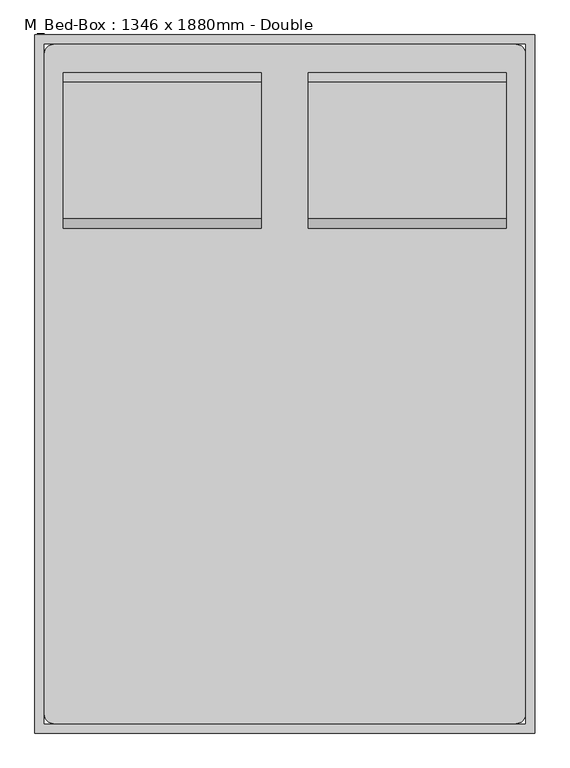
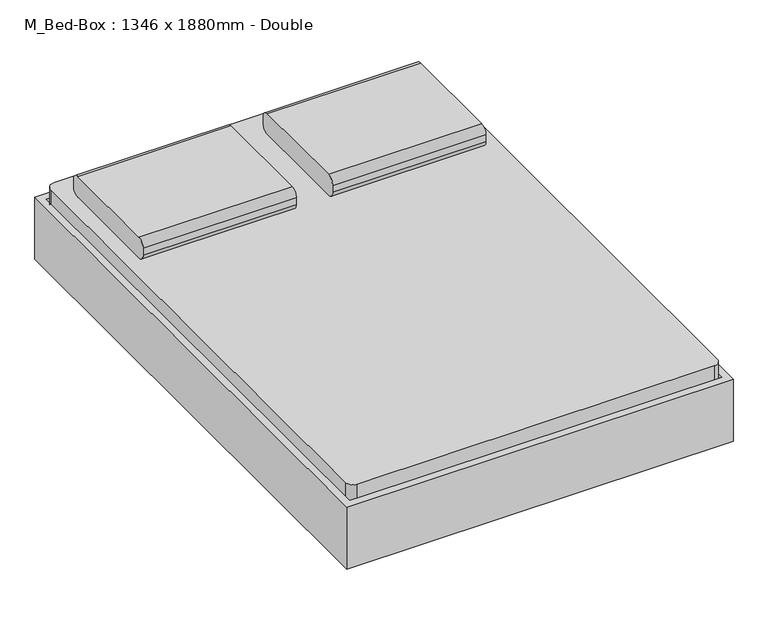
"""IFC4 building model written with IfcOpenShell, lengths in millimetres: furniture geometry, M_Bed-Box : 1346 x 1880mm - Double."""

from ifc_helpers import new_model, si_unit, point, frame, frame_2d, origin, place, context, project, spatial, polyline, circle_curve, trimmed, segment, composite_curve, outline, extrude, source, transform, mapped, element, save
from ifc_brep_helpers import plane_surface, cylinder_surface, revolved_surface, advanced_brep


def m_bed_box_1346_x_1880mm_double_9a731973(model_context):
    return source(origin(), model_context, "Body", "SolidModel", [
        extrude(outline(composite_curve([segment(polyline([(578.5704918, 406.4), (210.2704918, 406.4)]), True, "CONTINUOUS"), segment(trimmed(circle_curve(frame_2d((210.2704918, 431.8)), 25.4), [point((210.2704918, 406.4))], [point((184.8704918, 431.8))], False, "CARTESIAN"), True, "CONTINUOUS"), segment(polyline([(184.8704918, 431.8), (184.8704918, 457.2)]), True, "CONTINUOUS"), segment(trimmed(circle_curve(frame_2d((210.2704918, 457.2)), 25.4), [point((184.8704918, 457.2))], [point((210.2704918, 482.6))], False, "CARTESIAN"), True, "CONTINUOUS"), segment(polyline([(210.2704918, 482.6), (578.5704918, 482.6)]), True, "CONTINUOUS"), segment(trimmed(circle_curve(frame_2d((578.5704918, 457.2)), 25.4), [point((578.5704918, 482.6))], [point((603.9704918, 457.2))], False, "CARTESIAN"), True, "CONTINUOUS"), segment(polyline([(603.9704918, 457.2), (603.9704918, 431.8)]), True, "CONTINUOUS"), segment(trimmed(circle_curve(frame_2d((578.5704918, 431.8)), 25.4), [point((603.9704918, 431.8))], [point((578.5704918, 406.4))], False, "CARTESIAN"), True, "CONTINUOUS")], self_intersect=False)), frame((402.652459, 0.0, 0.0), z_axis=(1.0, 0.0, 0.0), x_axis=(0.0, 1.0, 0.0)), (0.0, 0.0, 1.0), 533.3),
        extrude(outline(composite_curve([segment(polyline([(578.5704918, 406.4), (210.2704918, 406.4)]), True, "CONTINUOUS"), segment(trimmed(circle_curve(frame_2d((210.2704918, 431.8)), 25.4), [point((210.2704918, 406.4))], [point((184.8704918, 431.8))], False, "CARTESIAN"), True, "CONTINUOUS"), segment(polyline([(184.8704918, 431.8), (184.8704918, 457.2)]), True, "CONTINUOUS"), segment(trimmed(circle_curve(frame_2d((210.2704918, 457.2)), 25.4), [point((184.8704918, 457.2))], [point((210.2704918, 482.6))], False, "CARTESIAN"), True, "CONTINUOUS"), segment(polyline([(210.2704918, 482.6), (578.5704918, 482.6)]), True, "CONTINUOUS"), segment(trimmed(circle_curve(frame_2d((578.5704918, 457.2)), 25.4), [point((578.5704918, 482.6))], [point((603.9704918, 457.2))], False, "CARTESIAN"), True, "CONTINUOUS"), segment(polyline([(603.9704918, 457.2), (603.9704918, 431.8)]), True, "CONTINUOUS"), segment(trimmed(circle_curve(frame_2d((578.5704918, 431.8)), 25.4), [point((603.9704918, 431.8))], [point((578.5704918, 406.4))], False, "CARTESIAN"), True, "CONTINUOUS")], self_intersect=False)), frame((-257.647541, 0.0, 0.0), z_axis=(1.0, 0.0, 0.0), x_axis=(0.0, 1.0, 0.0)), (0.0, 0.0, 1.0), 533.3),
        advanced_brep(
        [(-308.1231784, 451.5704918, 177.8), (-308.1231784, 375.3704918, 177.8), (-308.1231784, 375.3704918, 196.85), (-308.1231784, 451.5704918, 196.85), (-257.3231784, 451.5704918, 177.8), (-257.3231784, 375.3704918, 177.8), (-245.1869899, 375.3704918, 196.85), (-245.1869899, 451.5704918, 196.85), (-181.2523099, 451.5704918, 14.6654962), (-181.2523099, 375.3704918, 14.6654962), (-163.9871466, 375.3704918, 22.716374), (-163.9871466, 451.5704918, 22.716374), (-158.2320921, 375.3704918, 0.0), (-158.2320921, 451.5704918, 0.0), (-158.2320921, 375.3704918, 19.05), (-158.2320921, 451.5704918, 19.05), (-79.6195862, 451.5704918, 0.0), (-79.6195862, 375.3704918, 0.0), (-79.6195862, 375.3704918, 19.05), (-79.6195862, 451.5704918, 19.05), (-66.9195862, 375.3704918, 3.4029547), (-66.9195862, 451.5704918, 3.4029547), (-76.4445862, 375.3704918, 19.9007387), (-76.4445862, 451.5704918, 19.9007387), (-6.822541, 451.5704918, 38.1), (-6.822541, 375.3704918, 38.1), (-11.9269731, 375.3704918, 57.15), (-11.9269731, 451.5704918, 57.15), (685.4518216, 451.5704918, 38.1), (685.4518216, 375.3704918, 38.1), (690.5562537, 375.3704918, 57.15), (690.5562537, 451.5704918, 57.15), (745.5488669, 451.5704918, 3.4029547), (745.5488669, 375.3704918, 3.4029547), (755.0738669, 375.3704918, 19.9007387), (755.0738669, 451.5704918, 19.9007387), (758.2488669, 375.3704918, 0.0), (758.2488669, 451.5704918, 0.0), (758.2488669, 375.3704918, 19.05), (758.2488669, 451.5704918, 19.05), (836.8613728, 451.5704918, 0.0), (836.8613728, 375.3704918, 0.0), (836.8613728, 375.3704918, 19.05), (836.8613728, 451.5704918, 19.05), (859.8815906, 375.3704918, 14.6654962), (859.8815906, 451.5704918, 14.6654962), (842.6164272, 375.3704918, 22.716374), (842.6164272, 451.5704918, 22.716374), (935.952459, 451.5704918, 177.8), (935.952459, 375.3704918, 177.8), (923.8162705, 375.3704918, 196.85), (923.8162705, 451.5704918, 196.85), (986.752459, 451.5704918, 177.8), (986.752459, 451.5704918, 196.85), (986.752459, 375.3704918, 196.85), (986.752459, 375.3704918, 177.8)],
        [
            (0, 1),
            (1, 2),
            (2, 3),
            (3, 0),
            (0, 4),
            (4, 5),
            (5, 1),
            (5, 6),
            (6, 2),
            (6, 7),
            (7, 3),
            (7, 4),
            (4, 8),
            (8, 9),
            (9, 5),
            (9, 10),
            (10, 6),
            (10, 11),
            (11, 7),
            (11, 8),
            (12, 9, circle_curve(frame((-158.2320921, 375.3704918, 25.4), z_axis=(0.0, 1.0, 0.0), x_axis=(-0.9063077870366488, 0.0, -0.4226182617407019)), 25.4)),
            (8, 13, circle_curve(frame((-158.2320921, 451.5704918, 25.4), z_axis=(0.0, -1.0, 0.0), x_axis=(-0.9063077870366488, 0.0, -0.4226182617407019)), 25.4)),
            (13, 12),
            (14, 10, circle_curve(frame((-158.2320921, 375.3704918, 25.4), z_axis=(0.0, 1.0, 0.0), x_axis=(-0.9063077870366488, 0.0, -0.4226182617407019)), 6.35)),
            (12, 14),
            (15, 11, circle_curve(frame((-158.2320921, 451.5704918, 25.4), z_axis=(0.0, 1.0, 0.0), x_axis=(-0.9063077870366488, 0.0, -0.4226182617407019)), 6.35)),
            (14, 15),
            (15, 13),
            (13, 16),
            (16, 17),
            (17, 12),
            (17, 18),
            (18, 14),
            (18, 19),
            (19, 15),
            (19, 16),
            (20, 17, circle_curve(frame((-79.6195862, 375.3704918, 25.4), z_axis=(0.0, 1.0, 0.0), x_axis=(0.0, 0.0, -1.0)), 25.4)),
            (16, 21, circle_curve(frame((-79.6195862, 451.5704918, 25.4), z_axis=(0.0, -1.0, 0.0), x_axis=(0.0, 0.0, -1.0)), 25.4)),
            (21, 20),
            (22, 18, circle_curve(frame((-79.6195862, 375.3704918, 25.4), z_axis=(0.0, 1.0, 0.0), x_axis=(0.0, 0.0, -1.0)), 6.35)),
            (20, 22),
            (23, 19, circle_curve(frame((-79.6195862, 451.5704918, 25.4), z_axis=(0.0, 1.0, 0.0), x_axis=(0.0, 0.0, -1.0)), 6.35)),
            (22, 23),
            (23, 21),
            (21, 24),
            (24, 25),
            (25, 20),
            (25, 26),
            (26, 22),
            (26, 27),
            (27, 23),
            (27, 24),
            (24, 28),
            (28, 29),
            (29, 25),
            (29, 30),
            (30, 26),
            (30, 31),
            (31, 27),
            (31, 28),
            (28, 32),
            (32, 33),
            (33, 29),
            (33, 34),
            (34, 30),
            (34, 35),
            (35, 31),
            (35, 32),
            (36, 33, circle_curve(frame((758.2488669, 375.3704918, 25.4), z_axis=(0.0, 1.0, 0.0), x_axis=(-0.5000000000000463, 0.0, -0.8660254037844118)), 25.4)),
            (32, 37, circle_curve(frame((758.2488669, 451.5704918, 25.4), z_axis=(0.0, -1.0, 0.0), x_axis=(-0.5000000000000463, 0.0, -0.8660254037844118)), 25.4)),
            (37, 36),
            (38, 34, circle_curve(frame((758.2488669, 375.3704918, 25.4), z_axis=(0.0, 1.0, 0.0), x_axis=(-0.5000000000000463, 0.0, -0.8660254037844118)), 6.35)),
            (36, 38),
            (39, 35, circle_curve(frame((758.2488669, 451.5704918, 25.4), z_axis=(0.0, 1.0, 0.0), x_axis=(-0.5000000000000463, 0.0, -0.8660254037844118)), 6.35)),
            (38, 39),
            (39, 37),
            (37, 40),
            (40, 41),
            (41, 36),
            (41, 42),
            (42, 38),
            (42, 43),
            (43, 39),
            (43, 40),
            (44, 41, circle_curve(frame((836.8613728, 375.3704918, 25.4), z_axis=(0.0, 1.0, 0.0), x_axis=(0.0, 0.0, -1.0)), 25.4)),
            (40, 45, circle_curve(frame((836.8613728, 451.5704918, 25.4), z_axis=(0.0, -1.0, 0.0), x_axis=(0.0, 0.0, -1.0)), 25.4)),
            (45, 44),
            (46, 42, circle_curve(frame((836.8613728, 375.3704918, 25.4), z_axis=(0.0, 1.0, 0.0), x_axis=(0.0, 0.0, -1.0)), 6.35)),
            (44, 46),
            (47, 43, circle_curve(frame((836.8613728, 451.5704918, 25.4), z_axis=(0.0, 1.0, 0.0), x_axis=(0.0, 0.0, -1.0)), 6.35)),
            (46, 47),
            (47, 45),
            (45, 48),
            (48, 49),
            (49, 44),
            (49, 50),
            (50, 46),
            (50, 51),
            (51, 47),
            (51, 48),
            (52, 53),
            (53, 54),
            (54, 55),
            (55, 52),
            (48, 52),
            (55, 49),
            (54, 50),
            (53, 51),
        ],
        [
            plane_surface(frame((-308.1231784, 705.5704918, -152.9490627), z_axis=(-1.0, 0.0, 0.0), x_axis=(0.0, 1.0, 0.0))),
            plane_surface(frame((-308.1231784, 451.5704918, 177.8), z_axis=(0.0, 0.0, -1.0), x_axis=(1.0, 0.0, 0.0))),
            plane_surface(frame((-308.1231784, 375.3704918, 177.8), z_axis=(0.0, -1.0, 0.0), x_axis=(1.0, 0.0, 0.0))),
            plane_surface(frame((-308.1231784, 375.3704918, 196.85), z_axis=(0.0, 0.0, 1.0), x_axis=(1.0, 0.0, 0.0))),
            plane_surface(frame((-308.1231784, 451.5704918, 196.85), z_axis=(0.0, 1.0, 0.0), x_axis=(1.0, 0.0, 0.0))),
            plane_surface(frame((-257.3231784, 451.5704918, 177.8), z_axis=(-0.9063077870366486, 0.0, -0.4226182617407026), x_axis=(0.4226182617407026, 0.0, -0.9063077870366486))),
            plane_surface(frame((-257.3231784, 375.3704918, 177.8), z_axis=(0.0, -1.0000000000000002, 0.0), x_axis=(0.4226182617407026, 0.0, -0.9063077870366486))),
            plane_surface(frame((-245.1869899, 375.3704918, 196.85), z_axis=(0.9063077870366487, 0.0, 0.4226182617407023), x_axis=(0.4226182617407023, 0.0, -0.9063077870366487))),
            plane_surface(frame((-245.1869899, 451.5704918, 196.85), z_axis=(0.0, 1.0, 0.0), x_axis=(0.4226182617407027, 0.0, -0.9063077870366485))),
            cylinder_surface(frame((-158.2320921, 705.5704918, 25.4), z_axis=(0.0, -1.0, 0.0), x_axis=(-0.9063077870366488, 0.0, -0.4226182617407019)), 25.4),
            plane_surface(frame((-158.2320921, 375.3704918, 25.4), z_axis=(0.0, -1.0, 0.0), x_axis=(-0.9063077870366488, 0.0, -0.4226182617407019))),
            revolved_surface(polyline([(-163.9871465476827, 375.3704918, 22.716374037946544), (-163.9871465476827, 451.5704918, 22.716374037946544)]), (-158.2320921, 705.5704918, 25.4), (0.0, -1.0, 0.0)),
            plane_surface(frame((-158.2320921, 451.5704918, 25.4), z_axis=(0.0, 1.0, 0.0), x_axis=(-0.9063077870366488, 0.0, -0.4226182617407019))),
            plane_surface(frame((-158.2320921, 451.5704918, 0.0), z_axis=(0.0, 0.0, -1.0), x_axis=(1.0, 0.0, 0.0))),
            plane_surface(frame((-158.2320921, 375.3704918, 0.0), z_axis=(0.0, -1.0, 0.0), x_axis=(1.0, 0.0, 0.0))),
            plane_surface(frame((-158.2320921, 375.3704918, 19.05), z_axis=(0.0, 0.0, 1.0), x_axis=(1.0, 0.0, 0.0))),
            plane_surface(frame((-158.2320921, 451.5704918, 19.05), z_axis=(0.0, 1.0, 0.0), x_axis=(1.0, 0.0, 0.0))),
            cylinder_surface(frame((-79.6195862, 705.5704918, 25.4), z_axis=(0.0, -1.0, 0.0), x_axis=(0.0, 0.0, -1.0)), 25.4),
            plane_surface(frame((-79.6195862, 375.3704918, 25.4), z_axis=(0.0, -1.0, 0.0), x_axis=(0.0, 0.0, -1.0))),
            revolved_surface(polyline([(-79.6195862, 375.3704918, 19.049999999999997), (-79.6195862, 451.5704918, 19.049999999999997)]), (-79.6195862, 705.5704918, 25.4), (0.0, -1.0, 0.0)),
            plane_surface(frame((-79.6195862, 451.5704918, 25.4), z_axis=(0.0, 1.0, 0.0), x_axis=(0.0, 0.0, -1.0))),
            plane_surface(frame((-66.9195862, 451.5704918, 3.4029547), z_axis=(0.4999999999998739, 0.0, -0.8660254037845115), x_axis=(0.8660254037845115, 0.0, 0.4999999999998739))),
            plane_surface(frame((-66.9195862, 375.3704918, 3.4029547), z_axis=(0.0, -1.0, 0.0), x_axis=(0.8660254037845114, 0.0, 0.49999999999987393))),
            plane_surface(frame((-76.4445862, 375.3704918, 19.9007387), z_axis=(-0.4999999999998739, 0.0, 0.8660254037845115), x_axis=(0.8660254037845115, 0.0, 0.4999999999998739))),
            plane_surface(frame((-76.4445862, 451.5704918, 19.9007387), z_axis=(0.0, 1.0, 0.0), x_axis=(0.8660254037845112, 0.0, 0.4999999999998744))),
            plane_surface(frame((-6.822541, 451.5704918, 38.1), z_axis=(0.0, 0.0, -1.0), x_axis=(1.0, 0.0, 0.0))),
            plane_surface(frame((-6.822541, 375.3704918, 38.1), z_axis=(0.0, -1.0, 0.0), x_axis=(1.0, 0.0, 0.0))),
            plane_surface(frame((-11.9269731, 375.3704918, 57.15), z_axis=(0.0, 0.0, 1.0), x_axis=(1.0, 0.0, 0.0))),
            plane_surface(frame((-11.9269731, 451.5704918, 57.15), z_axis=(0.0, 1.0, 0.0), x_axis=(1.0, 0.0, 0.0))),
            plane_surface(frame((685.4518216, 451.5704918, 38.1), z_axis=(-0.5000000000000495, 0.0, -0.8660254037844101), x_axis=(0.8660254037844101, 0.0, -0.5000000000000495))),
            plane_surface(frame((685.4518216, 375.3704918, 38.1), z_axis=(0.0, -1.0000000000000002, 0.0), x_axis=(0.8660254037844111, 0.0, -0.500000000000048))),
            plane_surface(frame((690.5562537, 375.3704918, 57.15), z_axis=(0.5000000000000485, 0.0, 0.8660254037844106), x_axis=(0.8660254037844106, 0.0, -0.5000000000000485))),
            plane_surface(frame((690.5562537, 451.5704918, 57.15), z_axis=(0.0, 1.0, 0.0), x_axis=(0.8660254037844105, 0.0, -0.5000000000000487))),
            cylinder_surface(frame((758.2488669, 705.5704918, 25.4), z_axis=(0.0, -1.0, 0.0), x_axis=(-0.5000000000000463, 0.0, -0.8660254037844118)), 25.4),
            plane_surface(frame((758.2488669, 375.3704918, 25.4), z_axis=(0.0, -1.0000000000000002, 0.0), x_axis=(-0.5000000000000464, 0.0, -0.866025403784412))),
            revolved_surface(polyline([(755.0738668999998, 375.3704918, 19.90073868596898), (755.0738668999998, 451.5704918, 19.90073868596898)]), (758.2488669, 705.5704918, 25.4), (0.0, -1.0, 0.0)),
            plane_surface(frame((758.2488669, 451.5704918, 25.4), z_axis=(0.0, 1.0000000000000002, 0.0), x_axis=(-0.5000000000000464, 0.0, -0.866025403784412))),
            plane_surface(frame((758.2488669, 451.5704918, 0.0), z_axis=(0.0, 0.0, -1.0), x_axis=(1.0, 0.0, 0.0))),
            plane_surface(frame((758.2488669, 375.3704918, 0.0), z_axis=(0.0, -1.0, 0.0), x_axis=(1.0, 0.0, 0.0))),
            plane_surface(frame((758.2488669, 375.3704918, 19.05), z_axis=(0.0, 0.0, 1.0), x_axis=(1.0, 0.0, 0.0))),
            plane_surface(frame((758.2488669, 451.5704918, 19.05), z_axis=(0.0, 1.0, 0.0), x_axis=(1.0, 0.0, 0.0))),
            cylinder_surface(frame((836.8613728, 705.5704918, 25.4), z_axis=(0.0, -1.0, 0.0), x_axis=(0.0, 0.0, -1.0)), 25.4),
            plane_surface(frame((836.8613728, 375.3704918, 25.4), z_axis=(0.0, -1.0, 0.0), x_axis=(0.0, 0.0, -1.0))),
            revolved_surface(polyline([(836.8613728, 375.3704918, 19.049999999999997), (836.8613728, 451.5704918, 19.049999999999997)]), (836.8613728, 705.5704918, 25.4), (0.0, -1.0, 0.0)),
            plane_surface(frame((836.8613728, 451.5704918, 25.4), z_axis=(0.0, 1.0, 0.0), x_axis=(0.0, 0.0, -1.0))),
            plane_surface(frame((859.8815906, 451.5704918, 14.6654962), z_axis=(0.9063077870366804, 0.0, -0.4226182617406344), x_axis=(0.4226182617406344, 0.0, 0.9063077870366804))),
            plane_surface(frame((859.8815906, 375.3704918, 14.6654962), z_axis=(0.0, -1.0, 0.0), x_axis=(0.422618261740635, 0.0, 0.90630778703668))),
            plane_surface(frame((842.6164272, 375.3704918, 22.716374), z_axis=(-0.9063077870366805, 0.0, 0.4226182617406341), x_axis=(0.4226182617406341, 0.0, 0.9063077870366805))),
            plane_surface(frame((842.6164272, 451.5704918, 22.716374), z_axis=(0.0, 1.0, 0.0), x_axis=(0.4226182617406351, 0.0, 0.90630778703668))),
            plane_surface(frame((986.752459, 705.5704918, -152.9490627), z_axis=(1.0, 0.0, 0.0), x_axis=(0.0, 1.0, 0.0))),
            plane_surface(frame((935.952459, 451.5704918, 177.8), z_axis=(0.0, 0.0, -1.0), x_axis=(1.0, 0.0, 0.0))),
            plane_surface(frame((935.952459, 375.3704918, 177.8), z_axis=(0.0, -1.0, 0.0), x_axis=(1.0, 0.0, 0.0))),
            plane_surface(frame((923.8162705, 375.3704918, 196.85), z_axis=(0.0, 0.0, 1.0), x_axis=(1.0, 0.0, 0.0))),
            plane_surface(frame((923.8162705, 451.5704918, 196.85), z_axis=(0.0, 1.0, 0.0), x_axis=(1.0, 0.0, 0.0))),
        ],
        [
            (0, [[1, 2, 3, 4]]),
            (1, [[-1, 5, 6, 7]]),
            (2, [[-2, -7, 8, 9]]),
            (3, [[-3, -9, 10, 11]]),
            (4, [[-4, -11, 12, -5]]),
            (5, [[-6, 13, 14, 15]]),
            (6, [[-8, -15, 16, 17]]),
            (7, [[-10, -17, 18, 19]]),
            (8, [[-12, -19, 20, -13]]),
            (9, [[21, -14, 22, 23]]),
            (10, [[24, -16, -21, 25]]),
            (11, [[26, -18, -24, 27]]),
            (12, [[-22, -20, -26, 28]]),
            (13, [[-23, 29, 30, 31]]),
            (14, [[-25, -31, 32, 33]]),
            (15, [[-27, -33, 34, 35]]),
            (16, [[-28, -35, 36, -29]]),
            (17, [[37, -30, 38, 39]]),
            (18, [[40, -32, -37, 41]]),
            (19, [[42, -34, -40, 43]]),
            (20, [[-38, -36, -42, 44]]),
            (21, [[-39, 45, 46, 47]]),
            (22, [[-41, -47, 48, 49]]),
            (23, [[-43, -49, 50, 51]]),
            (24, [[-44, -51, 52, -45]]),
            (25, [[-46, 53, 54, 55]]),
            (26, [[-48, -55, 56, 57]]),
            (27, [[-50, -57, 58, 59]]),
            (28, [[-52, -59, 60, -53]]),
            (29, [[-54, 61, 62, 63]]),
            (30, [[-56, -63, 64, 65]]),
            (31, [[-58, -65, 66, 67]]),
            (32, [[-60, -67, 68, -61]]),
            (33, [[69, -62, 70, 71]]),
            (34, [[72, -64, -69, 73]]),
            (35, [[74, -66, -72, 75]]),
            (36, [[-70, -68, -74, 76]]),
            (37, [[-71, 77, 78, 79]]),
            (38, [[-73, -79, 80, 81]]),
            (39, [[-75, -81, 82, 83]]),
            (40, [[-76, -83, 84, -77]]),
            (41, [[85, -78, 86, 87]]),
            (42, [[88, -80, -85, 89]]),
            (43, [[90, -82, -88, 91]]),
            (44, [[-86, -84, -90, 92]]),
            (45, [[-87, 93, 94, 95]]),
            (46, [[-89, -95, 96, 97]]),
            (47, [[-91, -97, 98, 99]]),
            (48, [[-92, -99, 100, -93]]),
            (49, [[101, 102, 103, 104]]),
            (50, [[-94, 105, -104, 106]]),
            (51, [[-96, -106, -103, 107]]),
            (52, [[-98, -107, -102, 108]]),
            (53, [[-100, -108, -101, -105]]),
        ],
    ),
        extrude(outline(composite_curve([segment(polyline([(-283.047541, 680.1704918), (961.352459, 680.1704918)]), True, "CONTINUOUS"), segment(trimmed(circle_curve(frame_2d((961.352459, 654.7704918)), 25.4), [point((961.352459, 680.1704918))], [point((986.752459, 654.7704918))], False, "CARTESIAN"), True, "CONTINUOUS"), segment(polyline([(986.752459, 654.7704918), (986.752459, -1123.6295082)]), True, "CONTINUOUS"), segment(trimmed(circle_curve(frame_2d((961.352459, -1123.6295082)), 25.4), [point((986.752459, -1123.6295082))], [point((961.352459, -1149.0295082))], False, "CARTESIAN"), True, "CONTINUOUS"), segment(polyline([(961.352459, -1149.0295082), (-283.047541, -1149.0295082)]), True, "CONTINUOUS"), segment(trimmed(circle_curve(frame_2d((-283.047541, -1123.6295082)), 25.4), [point((-283.047541, -1149.0295082))], [point((-308.447541, -1123.6295082))], False, "CARTESIAN"), True, "CONTINUOUS"), segment(polyline([(-308.447541, -1123.6295082), (-308.447541, 654.7704918)]), True, "CONTINUOUS"), segment(trimmed(circle_curve(frame_2d((-283.047541, 654.7704918)), 25.4), [point((-308.447541, 654.7704918))], [point((-283.047541, 680.1704918))], False, "CARTESIAN"), True, "CONTINUOUS")], self_intersect=False)), frame((0.0, 0.0, 203.2), z_axis=(0.0, 0.0, 1.0), x_axis=(1.0, 0.0, 0.0)), (0.0, 0.0, 1.0), 203.2),
        advanced_brep(
        [(-308.447541, -869.6295082, 196.85), (-308.447541, -869.6295082, 177.8), (-308.447541, -945.8295082, 177.8), (-308.447541, -945.8295082, 196.85), (-245.5113525, -869.6295082, 196.85), (-257.647541, -869.6295082, 177.8), (-257.647541, -945.8295082, 177.8), (-245.5113525, -945.8295082, 196.85), (-164.3115092, -869.6295082, 22.716374), (-181.5766725, -869.6295082, 14.6654962), (-181.5766725, -945.8295082, 14.6654962), (-164.3115092, -945.8295082, 22.716374), (-158.5564547, -869.6295082, 0.0), (-158.5564547, -869.6295082, 19.05), (-158.5564547, -945.8295082, 0.0), (-158.5564547, -945.8295082, 19.05), (-79.9439489, -869.6295082, 19.05), (-79.9439489, -869.6295082, 0.0), (-79.9439489, -945.8295082, 0.0), (-79.9439489, -945.8295082, 19.05), (-67.2439489, -869.6295082, 3.4029547), (-76.7689489, -869.6295082, 19.9007387), (-67.2439489, -945.8295082, 3.4029547), (-76.7689489, -945.8295082, 19.9007387), (-12.2513357, -869.6295082, 57.15), (-7.1469036, -869.6295082, 38.1), (-7.1469036, -945.8295082, 38.1), (-12.2513357, -945.8295082, 57.15), (690.5562537, -869.6295082, 57.15), (685.4518216, -869.6295082, 38.1), (685.4518216, -945.8295082, 38.1), (690.5562537, -945.8295082, 57.15), (755.0738669, -869.6295082, 19.9007387), (745.5488669, -869.6295082, 3.4029547), (745.5488669, -945.8295082, 3.4029547), (755.0738669, -945.8295082, 19.9007387), (758.2488669, -869.6295082, 0.0), (758.2488669, -869.6295082, 19.05), (758.2488669, -945.8295082, 0.0), (758.2488669, -945.8295082, 19.05), (836.8613728, -869.6295082, 19.05), (836.8613728, -869.6295082, 0.0), (836.8613728, -945.8295082, 0.0), (836.8613728, -945.8295082, 19.05), (859.8815906, -869.6295082, 14.6654962), (842.6164272, -869.6295082, 22.716374), (859.8815906, -945.8295082, 14.6654962), (842.6164272, -945.8295082, 22.716374), (923.8162705, -869.6295082, 196.85), (935.952459, -869.6295082, 177.8), (935.952459, -945.8295082, 177.8), (923.8162705, -945.8295082, 196.85), (986.752459, -869.6295082, 196.85), (986.752459, -945.8295082, 196.85), (986.752459, -945.8295082, 177.8), (986.752459, -869.6295082, 177.8)],
        [
            (0, 1),
            (1, 2),
            (2, 3),
            (3, 0),
            (0, 4),
            (4, 5),
            (5, 1),
            (5, 6),
            (6, 2),
            (6, 7),
            (7, 3),
            (7, 4),
            (4, 8),
            (8, 9),
            (9, 5),
            (9, 10),
            (10, 6),
            (10, 11),
            (11, 7),
            (11, 8),
            (12, 9, circle_curve(frame((-158.5564547, -869.6295082, 25.4), z_axis=(0.0, 1.0, 0.0), x_axis=(-0.906307787036664, 0.0, -0.4226182617406693)), 25.4)),
            (8, 13, circle_curve(frame((-158.5564547, -869.6295082, 25.4), z_axis=(0.0, -1.0, 0.0), x_axis=(-0.906307787036664, 0.0, -0.4226182617406693)), 6.35)),
            (13, 12),
            (14, 10, circle_curve(frame((-158.5564547, -945.8295082, 25.4), z_axis=(0.0, 1.0, 0.0), x_axis=(-0.906307787036664, 0.0, -0.4226182617406693)), 25.4)),
            (12, 14),
            (15, 11, circle_curve(frame((-158.5564547, -945.8295082, 25.4), z_axis=(0.0, 1.0, 0.0), x_axis=(-0.906307787036664, 0.0, -0.4226182617406693)), 6.35)),
            (14, 15),
            (15, 13),
            (13, 16),
            (16, 17),
            (17, 12),
            (17, 18),
            (18, 14),
            (18, 19),
            (19, 15),
            (19, 16),
            (20, 17, circle_curve(frame((-79.9439489, -869.6295082, 25.4), z_axis=(0.0, 1.0, 0.0), x_axis=(0.0, 0.0, -1.0)), 25.4)),
            (16, 21, circle_curve(frame((-79.9439489, -869.6295082, 25.4), z_axis=(0.0, -1.0, 0.0), x_axis=(0.0, 0.0, -1.0)), 6.35)),
            (21, 20),
            (22, 18, circle_curve(frame((-79.9439489, -945.8295082, 25.4), z_axis=(0.0, 1.0, 0.0), x_axis=(0.0, 0.0, -1.0)), 25.4)),
            (20, 22),
            (23, 19, circle_curve(frame((-79.9439489, -945.8295082, 25.4), z_axis=(0.0, 1.0, 0.0), x_axis=(0.0, 0.0, -1.0)), 6.35)),
            (22, 23),
            (23, 21),
            (21, 24),
            (24, 25),
            (25, 20),
            (25, 26),
            (26, 22),
            (26, 27),
            (27, 23),
            (27, 24),
            (24, 28),
            (28, 29),
            (29, 25),
            (29, 30),
            (30, 26),
            (30, 31),
            (31, 27),
            (31, 28),
            (28, 32),
            (32, 33),
            (33, 29),
            (33, 34),
            (34, 30),
            (34, 35),
            (35, 31),
            (35, 32),
            (36, 33, circle_curve(frame((758.2488669, -869.6295082, 25.4), z_axis=(0.0, 1.0, 0.0), x_axis=(-0.5000000000000525, 0.0, -0.8660254037844083)), 25.4)),
            (32, 37, circle_curve(frame((758.2488669, -869.6295082, 25.4), z_axis=(0.0, -1.0, 0.0), x_axis=(-0.5000000000000525, 0.0, -0.8660254037844083)), 6.35)),
            (37, 36),
            (38, 34, circle_curve(frame((758.2488669, -945.8295082, 25.4), z_axis=(0.0, 1.0, 0.0), x_axis=(-0.5000000000000525, 0.0, -0.8660254037844083)), 25.4)),
            (36, 38),
            (39, 35, circle_curve(frame((758.2488669, -945.8295082, 25.4), z_axis=(0.0, 1.0, 0.0), x_axis=(-0.5000000000000525, 0.0, -0.8660254037844083)), 6.35)),
            (38, 39),
            (39, 37),
            (37, 40),
            (40, 41),
            (41, 36),
            (41, 42),
            (42, 38),
            (42, 43),
            (43, 39),
            (43, 40),
            (44, 41, circle_curve(frame((836.8613728, -869.6295082, 25.4), z_axis=(0.0, 1.0, 0.0), x_axis=(0.0, 0.0, -1.0)), 25.4)),
            (40, 45, circle_curve(frame((836.8613728, -869.6295082, 25.4), z_axis=(0.0, -1.0, 0.0), x_axis=(0.0, 0.0, -1.0)), 6.35)),
            (45, 44),
            (46, 42, circle_curve(frame((836.8613728, -945.8295082, 25.4), z_axis=(0.0, 1.0, 0.0), x_axis=(0.0, 0.0, -1.0)), 25.4)),
            (44, 46),
            (47, 43, circle_curve(frame((836.8613728, -945.8295082, 25.4), z_axis=(0.0, 1.0, 0.0), x_axis=(0.0, 0.0, -1.0)), 6.35)),
            (46, 47),
            (47, 45),
            (45, 48),
            (48, 49),
            (49, 44),
            (49, 50),
            (50, 46),
            (50, 51),
            (51, 47),
            (51, 48),
            (52, 53),
            (53, 54),
            (54, 55),
            (55, 52),
            (48, 52),
            (55, 49),
            (54, 50),
            (53, 51),
        ],
        [
            plane_surface(frame((-308.447541, -1174.4295082, -127.5947323), z_axis=(-1.0, 0.0, 0.0), x_axis=(0.0, 1.0, 0.0))),
            plane_surface(frame((-308.447541, -869.6295082, 196.85), z_axis=(0.0, 1.0, 0.0), x_axis=(1.0, 0.0, 0.0))),
            plane_surface(frame((-308.447541, -869.6295082, 177.8), z_axis=(0.0, 0.0, -1.0), x_axis=(1.0, 0.0, 0.0))),
            plane_surface(frame((-308.447541, -945.8295082, 177.8), z_axis=(0.0, -1.0, 0.0), x_axis=(1.0, 0.0, 0.0))),
            plane_surface(frame((-308.447541, -945.8295082, 196.85), z_axis=(0.0, 0.0, 1.0), x_axis=(1.0, 0.0, 0.0))),
            plane_surface(frame((-245.5113525, -869.6295082, 196.85), z_axis=(0.0, 1.0000000000000002, 0.0), x_axis=(0.42261826174067096, 0.0, -0.9063077870366634))),
            plane_surface(frame((-257.647541, -869.6295082, 177.8), z_axis=(-0.9063077870366634, 0.0, -0.42261826174067085), x_axis=(0.42261826174067085, 0.0, -0.9063077870366634))),
            plane_surface(frame((-257.647541, -945.8295082, 177.8), z_axis=(0.0, -1.0, 0.0), x_axis=(0.42261826174067096, 0.0, -0.9063077870366633))),
            plane_surface(frame((-245.5113525, -945.8295082, 196.85), z_axis=(0.9063077870366634, 0.0, 0.4226182617406709), x_axis=(0.4226182617406709, 0.0, -0.9063077870366634))),
            plane_surface(frame((-158.5564547, -869.6295082, 25.4), z_axis=(0.0, 1.0, 0.0), x_axis=(-0.906307787036664, 0.0, -0.4226182617406693))),
            cylinder_surface(frame((-158.5564547, -1174.4295082, 25.4), z_axis=(0.0, -1.0, 0.0), x_axis=(-0.906307787036664, 0.0, -0.4226182617406693)), 25.4),
            plane_surface(frame((-158.5564547, -945.8295082, 25.4), z_axis=(0.0, -1.0, 0.0), x_axis=(-0.906307787036664, 0.0, -0.4226182617406693))),
            revolved_surface(polyline([(-164.3115091476828, -945.8295082, 22.71637403794675), (-164.3115091476828, -869.6295082, 22.71637403794675)]), (-158.5564547, -1174.4295082, 25.4), (0.0, -1.0, 0.0)),
            plane_surface(frame((-158.5564547, -869.6295082, 19.05), z_axis=(0.0, 1.0, 0.0), x_axis=(1.0, 0.0, 0.0))),
            plane_surface(frame((-158.5564547, -869.6295082, 0.0), z_axis=(0.0, 0.0, -1.0), x_axis=(1.0, 0.0, 0.0))),
            plane_surface(frame((-158.5564547, -945.8295082, 0.0), z_axis=(0.0, -1.0, 0.0), x_axis=(1.0, 0.0, 0.0))),
            plane_surface(frame((-158.5564547, -945.8295082, 19.05), z_axis=(0.0, 0.0, 1.0), x_axis=(1.0, 0.0, 0.0))),
            plane_surface(frame((-79.9439489, -869.6295082, 25.4), z_axis=(0.0, 1.0, 0.0), x_axis=(0.0, 0.0, -1.0))),
            cylinder_surface(frame((-79.9439489, -1174.4295082, 25.4), z_axis=(0.0, -1.0, 0.0), x_axis=(0.0, 0.0, -1.0)), 25.4),
            plane_surface(frame((-79.9439489, -945.8295082, 25.4), z_axis=(0.0, -1.0, 0.0), x_axis=(0.0, 0.0, -1.0))),
            revolved_surface(polyline([(-79.9439489, -945.8295082, 19.049999999999997), (-79.9439489, -869.6295082, 19.049999999999997)]), (-79.9439489, -1174.4295082, 25.4), (0.0, -1.0, 0.0)),
            plane_surface(frame((-76.7689489, -869.6295082, 19.9007387), z_axis=(0.0, 1.0, 0.0), x_axis=(0.8660254037844783, 0.0, 0.4999999999999312))),
            plane_surface(frame((-67.2439489, -869.6295082, 3.4029547), z_axis=(0.49999999999993117, 0.0, -0.8660254037844785), x_axis=(0.8660254037844785, 0.0, 0.49999999999993117))),
            plane_surface(frame((-67.2439489, -945.8295082, 3.4029547), z_axis=(0.0, -1.0, 0.0), x_axis=(0.8660254037844786, 0.0, 0.4999999999999308))),
            plane_surface(frame((-76.7689489, -945.8295082, 19.9007387), z_axis=(-0.4999999999999302, 0.0, 0.8660254037844789), x_axis=(0.8660254037844789, 0.0, 0.4999999999999302))),
            plane_surface(frame((-12.2513357, -869.6295082, 57.15), z_axis=(0.0, 1.0, 0.0), x_axis=(1.0, 0.0, 0.0))),
            plane_surface(frame((-7.1469036, -869.6295082, 38.1), z_axis=(0.0, 0.0, -1.0), x_axis=(1.0, 0.0, 0.0))),
            plane_surface(frame((-7.1469036, -945.8295082, 38.1), z_axis=(0.0, -1.0, 0.0), x_axis=(1.0, 0.0, 0.0))),
            plane_surface(frame((-12.2513357, -945.8295082, 57.15), z_axis=(0.0, 0.0, 1.0), x_axis=(1.0, 0.0, 0.0))),
            plane_surface(frame((690.5562537, -869.6295082, 57.15), z_axis=(0.0, 1.0, 0.0), x_axis=(0.8660254037844088, 0.0, -0.5000000000000517))),
            plane_surface(frame((685.4518216, -869.6295082, 38.1), z_axis=(-0.5000000000000526, 0.0, -0.8660254037844083), x_axis=(0.8660254037844083, 0.0, -0.5000000000000526))),
            plane_surface(frame((685.4518216, -945.8295082, 38.1), z_axis=(0.0, -1.0, 0.0), x_axis=(0.8660254037844088, 0.0, -0.5000000000000517))),
            plane_surface(frame((690.5562537, -945.8295082, 57.15), z_axis=(0.5000000000000521, 0.0, 0.8660254037844086), x_axis=(0.8660254037844086, 0.0, -0.5000000000000521))),
            plane_surface(frame((758.2488669, -869.6295082, 25.4), z_axis=(0.0, 1.0000000000000002, 0.0), x_axis=(-0.5000000000000526, 0.0, -0.8660254037844084))),
            cylinder_surface(frame((758.2488669, -1174.4295082, 25.4), z_axis=(0.0, -1.0, 0.0), x_axis=(-0.5000000000000525, 0.0, -0.8660254037844083)), 25.4),
            plane_surface(frame((758.2488669, -945.8295082, 25.4), z_axis=(0.0, -1.0000000000000002, 0.0), x_axis=(-0.5000000000000526, 0.0, -0.8660254037844084))),
            revolved_surface(polyline([(755.0738668999998, -945.8295082, 19.900738685969007), (755.0738668999998, -869.6295082, 19.900738685969007)]), (758.2488669, -1174.4295082, 25.4), (0.0, -1.0, 0.0)),
            plane_surface(frame((758.2488669, -869.6295082, 19.05), z_axis=(0.0, 1.0, 0.0), x_axis=(1.0, 0.0, 0.0))),
            plane_surface(frame((758.2488669, -869.6295082, 0.0), z_axis=(0.0, 0.0, -1.0), x_axis=(1.0, 0.0, 0.0))),
            plane_surface(frame((758.2488669, -945.8295082, 0.0), z_axis=(0.0, -1.0, 0.0), x_axis=(1.0, 0.0, 0.0))),
            plane_surface(frame((758.2488669, -945.8295082, 19.05), z_axis=(0.0, 0.0, 1.0), x_axis=(1.0, 0.0, 0.0))),
            plane_surface(frame((836.8613728, -869.6295082, 25.4), z_axis=(0.0, 1.0, 0.0), x_axis=(0.0, 0.0, -1.0))),
            cylinder_surface(frame((836.8613728, -1174.4295082, 25.4), z_axis=(0.0, -1.0, 0.0), x_axis=(0.0, 0.0, -1.0)), 25.4),
            plane_surface(frame((836.8613728, -945.8295082, 25.4), z_axis=(0.0, -1.0, 0.0), x_axis=(0.0, 0.0, -1.0))),
            revolved_surface(polyline([(836.8613728, -945.8295082, 19.049999999999997), (836.8613728, -869.6295082, 19.049999999999997)]), (836.8613728, -1174.4295082, 25.4), (0.0, -1.0, 0.0)),
            plane_surface(frame((842.6164272, -869.6295082, 22.716374), z_axis=(0.0, 1.0, 0.0), x_axis=(0.42261826174053907, 0.0, 0.9063077870367248))),
            plane_surface(frame((859.8815906, -869.6295082, 14.6654962), z_axis=(0.906307787036725, 0.0, -0.4226182617405386), x_axis=(0.4226182617405386, 0.0, 0.906307787036725))),
            plane_surface(frame((859.8815906, -945.8295082, 14.6654962), z_axis=(0.0, -1.0, 0.0), x_axis=(0.4226182617405387, 0.0, 0.906307787036725))),
            plane_surface(frame((842.6164272, -945.8295082, 22.716374), z_axis=(-0.9063077870367251, 0.0, 0.42261826174053835), x_axis=(0.42261826174053835, 0.0, 0.9063077870367251))),
            plane_surface(frame((986.752459, -1174.4295082, -127.5947323), z_axis=(1.0, 0.0, 0.0), x_axis=(0.0, 1.0, 0.0))),
            plane_surface(frame((923.8162705, -869.6295082, 196.85), z_axis=(0.0, 1.0, 0.0), x_axis=(1.0, 0.0, 0.0))),
            plane_surface(frame((935.952459, -869.6295082, 177.8), z_axis=(0.0, 0.0, -1.0), x_axis=(1.0, 0.0, 0.0))),
            plane_surface(frame((935.952459, -945.8295082, 177.8), z_axis=(0.0, -1.0, 0.0), x_axis=(1.0, 0.0, 0.0))),
            plane_surface(frame((923.8162705, -945.8295082, 196.85), z_axis=(0.0, 0.0, 1.0), x_axis=(1.0, 0.0, 0.0))),
        ],
        [
            (0, [[1, 2, 3, 4]]),
            (1, [[-1, 5, 6, 7]]),
            (2, [[-2, -7, 8, 9]]),
            (3, [[-3, -9, 10, 11]]),
            (4, [[-4, -11, 12, -5]]),
            (5, [[-6, 13, 14, 15]]),
            (6, [[-8, -15, 16, 17]]),
            (7, [[-10, -17, 18, 19]]),
            (8, [[-12, -19, 20, -13]]),
            (9, [[21, -14, 22, 23]]),
            (10, [[24, -16, -21, 25]]),
            (11, [[26, -18, -24, 27]]),
            (12, [[-22, -20, -26, 28]]),
            (13, [[-23, 29, 30, 31]]),
            (14, [[-25, -31, 32, 33]]),
            (15, [[-27, -33, 34, 35]]),
            (16, [[-28, -35, 36, -29]]),
            (17, [[37, -30, 38, 39]]),
            (18, [[40, -32, -37, 41]]),
            (19, [[42, -34, -40, 43]]),
            (20, [[-38, -36, -42, 44]]),
            (21, [[-39, 45, 46, 47]]),
            (22, [[-41, -47, 48, 49]]),
            (23, [[-43, -49, 50, 51]]),
            (24, [[-44, -51, 52, -45]]),
            (25, [[-46, 53, 54, 55]]),
            (26, [[-48, -55, 56, 57]]),
            (27, [[-50, -57, 58, 59]]),
            (28, [[-52, -59, 60, -53]]),
            (29, [[-54, 61, 62, 63]]),
            (30, [[-56, -63, 64, 65]]),
            (31, [[-58, -65, 66, 67]]),
            (32, [[-60, -67, 68, -61]]),
            (33, [[69, -62, 70, 71]]),
            (34, [[72, -64, -69, 73]]),
            (35, [[74, -66, -72, 75]]),
            (36, [[-70, -68, -74, 76]]),
            (37, [[-71, 77, 78, 79]]),
            (38, [[-73, -79, 80, 81]]),
            (39, [[-75, -81, 82, 83]]),
            (40, [[-76, -83, 84, -77]]),
            (41, [[85, -78, 86, 87]]),
            (42, [[88, -80, -85, 89]]),
            (43, [[90, -82, -88, 91]]),
            (44, [[-86, -84, -90, 92]]),
            (45, [[-87, 93, 94, 95]]),
            (46, [[-89, -95, 96, 97]]),
            (47, [[-91, -97, 98, 99]]),
            (48, [[-92, -99, 100, -93]]),
            (49, [[101, 102, 103, 104]]),
            (50, [[-94, 105, -104, 106]]),
            (51, [[-96, -106, -103, 107]]),
            (52, [[-98, -107, -102, 108]]),
            (53, [[-100, -108, -101, -105]]),
        ],
    ),
        extrude(outline(polyline([(1012.152459, 705.5704918), (1012.152459, -1174.4295082), (-333.847541, -1174.4295082), (-333.847541, 705.5704918), (1012.152459, 705.5704918)]), holes=[polyline([(986.752459, 680.1704918), (-308.447541, 680.1704918), (-308.447541, -1149.0295082), (986.752459, -1149.0295082), (986.752459, 680.1704918)])]), frame((0.0, 0.0, 127.0), z_axis=(0.0, 0.0, 1.0), x_axis=(1.0, 0.0, 0.0)), (0.0, 0.0, 1.0), 228.6),
    ])


if __name__ == "__main__":
    model = new_model("IFC4")
    model_context = context("Model", 3, world=origin())
    ifc_project = project(units=[si_unit("LENGTHUNIT", "METRE", prefix="MILLI")], contexts=[model_context])
    site = spatial("IfcSite", under=ifc_project)
    building = spatial("IfcBuilding", under=site)
    placement = place(None, origin())
    m_bed_box_1346_x_1880mm_double_shape = m_bed_box_1346_x_1880mm_double_9a731973(model_context)
    element("IfcFurniture", 1, ObjectType="M_Bed-Box : 1346 x 1880mm - Double", at=placement, inside=building, context=model_context, shape_type="MappedRepresentation", body=[
        mapped(m_bed_box_1346_x_1880mm_double_shape, transform((0.0, 0.0, 0.0), x_axis=(1.0, 0.0, 0.0), y_axis=(0.0, 1.0, 0.0), z_axis=(0.0, 0.0, 1.0))),
    ])
    save(model, "model.ifc")
